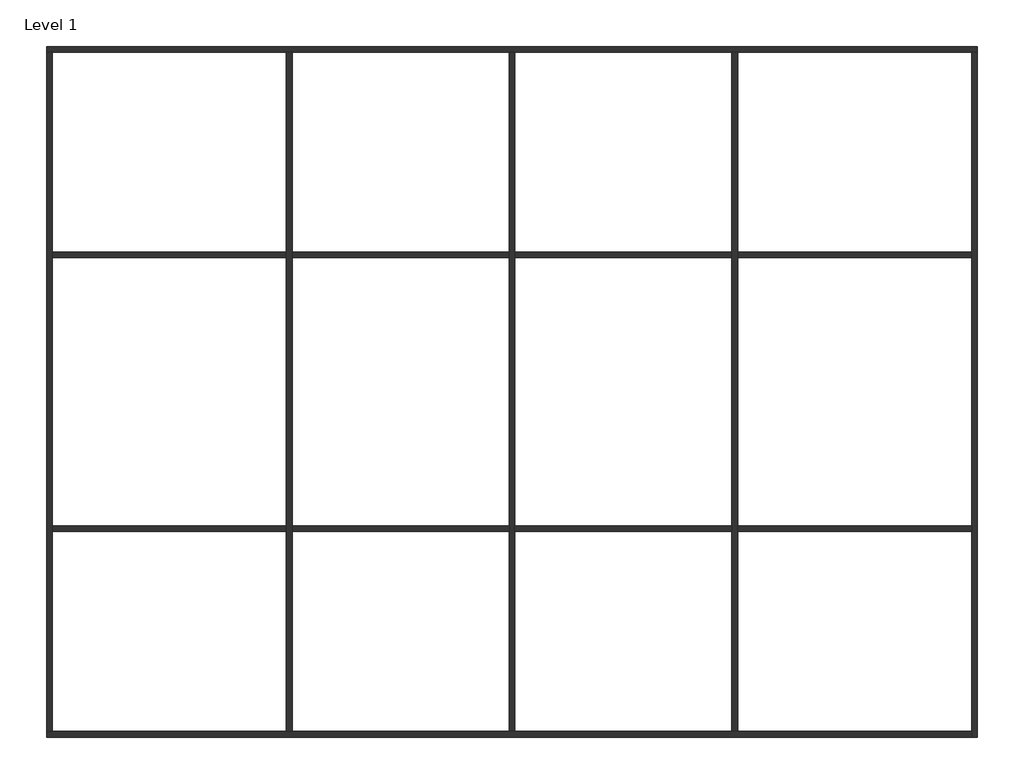
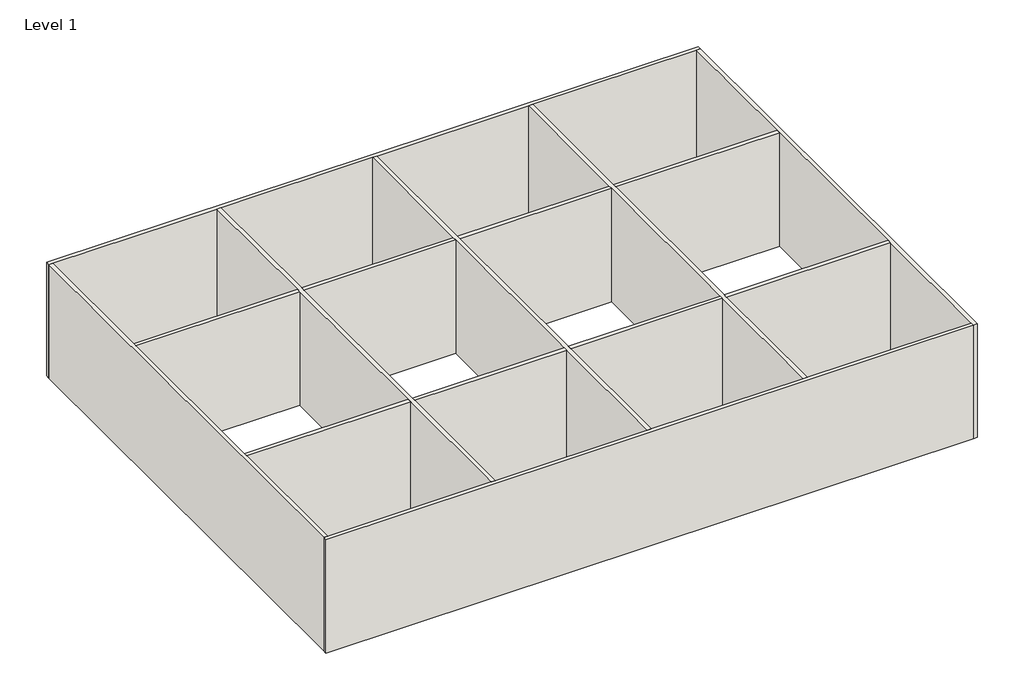
# One storey: 9 walls.
"""IFC4 building model written with IfcOpenShell, lengths in millimetres."""

from ifc_helpers import new_model, si_unit, origin, origin_with_axes, place, context, project, spatial, polyline, outline, extrude, faceted_brep, element, save

model = new_model("IFC4")

# Units and contexts
model_context = context("Model", 3, world=origin())
ifc_project = project(units=[si_unit("LENGTHUNIT", "METRE", prefix="MILLI")], contexts=[model_context])

# Site, building, storey
site = spatial("IfcSite", under=ifc_project)
building = spatial("IfcBuilding", under=site)
storey = spatial("IfcBuildingStorey", under=building, Name="Level 1", Elevation=0.0)

# Walls
placement = place(None, origin())
element("IfcWall", 1, ObjectType="Generic - 8\"", at=placement, inside=storey, context=model_context, shape_type="Brep", body=[
    faceted_brep([(-13820.2516288, 7825.672494, 0.0), (-13617.0516288, 7825.672494, 0.0), (-5285.8516288, 7825.672494, 0.0), (-5082.6516288, 7825.672494, 0.0), (2638.9483712, 7825.672494, 0.0), (2842.1483712, 7825.672494, 0.0), (10563.7483712, 7825.672494, 0.0), (10766.9483712, 7825.672494, 0.0), (19098.1483712, 7825.672494, 0.0), (19301.3483712, 7825.672494, 0.0), (19301.3483712, 7825.672494, 6096.0), (19098.1483712, 7825.672494, 6096.0), (10766.9483712, 7825.672494, 6096.0), (10563.7483712, 7825.672494, 6096.0), (2842.1483712, 7825.672494, 6096.0), (2638.9483712, 7825.672494, 6096.0), (-5082.6516288, 7825.672494, 6096.0), (-5285.8516288, 7825.672494, 6096.0), (-13617.0516288, 7825.672494, 6096.0), (-13820.2516288, 7825.672494, 6096.0), (-13820.2516288, 8028.872494, 0.0), (-13820.2516288, 8028.872494, 6096.0), (19301.3483712, 8028.872494, 6096.0), (19301.3483712, 8028.872494, 0.0)], [[[0, 1, 2, 3, 4, 5, 6, 7, 8, 9, 10, 11, 12, 13, 14, 15, 16, 17, 18, 19]], [[20, 21, 22, 23]], [[9, 8, 7, 6, 5, 4, 3, 2, 1, 0, 20, 23]], [[19, 18, 17, 16, 15, 14, 13, 12, 11, 10, 22, 21]], [[10, 9, 23, 22]], [[0, 19, 21, 20]]]),
])
element("IfcWall", 2, ObjectType="Generic - 8\"", at=placement, inside=storey, context=model_context, shape_type="Brep", body=[
    faceted_brep([(19098.1483712, 7825.672494, 0.0), (19098.1483712, 713.672494, 0.0), (19098.1483712, 510.472494, 0.0), (19098.1483712, -9039.927506, 0.0), (19098.1483712, -9243.127506, 0.0), (19098.1483712, -16355.127506, 0.0), (19098.1483712, -16558.327506, 0.0), (19098.1483712, -16558.327506, 6096.0), (19098.1483712, -16355.127506, 6096.0), (19098.1483712, -9243.127506, 6096.0), (19098.1483712, -9039.927506, 6096.0), (19098.1483712, 510.472494, 6096.0), (19098.1483712, 713.672494, 6096.0), (19098.1483712, 7825.672494, 6096.0), (19301.3483712, 7825.672494, 0.0), (19301.3483712, 7825.672494, 6096.0), (19301.3483712, -16558.327506, 6096.0), (19301.3483712, -16558.327506, 0.0)], [[[0, 1, 2, 3, 4, 5, 6, 7, 8, 9, 10, 11, 12, 13]], [[14, 15, 16, 17]], [[6, 5, 4, 3, 2, 1, 0, 14, 17]], [[13, 12, 11, 10, 9, 8, 7, 16, 15]], [[0, 13, 15, 14]], [[7, 6, 17, 16]]]),
])
element("IfcWall", 3, ObjectType="Generic - 8\"", at=placement, inside=storey, context=model_context, shape_type="Brep", body=[
    faceted_brep([(19098.1483712, -16355.127506, 0.0), (10766.9483712, -16355.127506, 0.0), (10563.7483712, -16355.127506, 0.0), (2842.1483712, -16355.127506, 0.0), (2638.9483712, -16355.127506, 0.0), (-5082.6516288, -16355.127506, 0.0), (-5285.8516288, -16355.127506, 0.0), (-13617.0516288, -16355.127506, 0.0), (-13820.2516288, -16355.127506, 0.0), (-13820.2516288, -16355.127506, 6096.0), (-13617.0516288, -16355.127506, 6096.0), (-5285.8516288, -16355.127506, 6096.0), (-5082.6516288, -16355.127506, 6096.0), (2638.9483712, -16355.127506, 6096.0), (2842.1483712, -16355.127506, 6096.0), (10563.7483712, -16355.127506, 6096.0), (10766.9483712, -16355.127506, 6096.0), (19098.1483712, -16355.127506, 6096.0), (19098.1483712, -16558.327506, 0.0), (19098.1483712, -16558.327506, 6096.0), (-13820.2516288, -16558.327506, 6096.0), (-13820.2516288, -16558.327506, 0.0)], [[[0, 1, 2, 3, 4, 5, 6, 7, 8, 9, 10, 11, 12, 13, 14, 15, 16, 17]], [[18, 19, 20, 21]], [[8, 7, 6, 5, 4, 3, 2, 1, 0, 18, 21]], [[17, 16, 15, 14, 13, 12, 11, 10, 9, 20, 19]], [[0, 17, 19, 18]], [[9, 8, 21, 20]]]),
])
element("IfcWall", 4, ObjectType="Generic - 8\"", at=placement, inside=storey, context=model_context, shape_type="Brep", body=[
    faceted_brep([(-13617.0516288, -16355.127506, 0.0), (-13617.0516288, -9243.127506, 0.0), (-13617.0516288, -9039.927506, 0.0), (-13617.0516288, 510.472494, 0.0), (-13617.0516288, 713.672494, 0.0), (-13617.0516288, 7825.672494, 0.0), (-13617.0516288, 7825.672494, 6096.0), (-13617.0516288, 713.672494, 6096.0), (-13617.0516288, 510.472494, 6096.0), (-13617.0516288, -9039.927506, 6096.0), (-13617.0516288, -9243.127506, 6096.0), (-13617.0516288, -16355.127506, 6096.0), (-13820.2516288, -16355.127506, 0.0), (-13820.2516288, -16355.127506, 6096.0), (-13820.2516288, 7825.672494, 6096.0), (-13820.2516288, 7825.672494, 0.0)], [[[0, 1, 2, 3, 4, 5, 6, 7, 8, 9, 10, 11]], [[12, 13, 14, 15]], [[5, 4, 3, 2, 1, 0, 12, 15]], [[11, 10, 9, 8, 7, 6, 14, 13]], [[6, 5, 15, 14]], [[0, 11, 13, 12]]]),
])
element("IfcWall", 5, ObjectType="Generic - 8\"", at=placement, inside=storey, context=model_context, shape_type="Brep", body=[
    faceted_brep([(-5285.8516288, 7825.672494, 0.0), (-5285.8516288, 713.672494, 0.0), (-5285.8516288, 510.472494, 0.0), (-5285.8516288, -9039.927506, 0.0), (-5285.8516288, -9243.127506, 0.0), (-5285.8516288, -16355.127506, 0.0), (-5285.8516288, -16355.127506, 6096.0), (-5285.8516288, -9243.127506, 6096.0), (-5285.8516288, -9039.927506, 6096.0), (-5285.8516288, 510.472494, 6096.0), (-5285.8516288, 713.672494, 6096.0), (-5285.8516288, 7825.672494, 6096.0), (-5082.6516288, 7825.672494, 0.0), (-5082.6516288, 7825.672494, 6096.0), (-5082.6516288, 713.672494, 6096.0), (-5082.6516288, 510.472494, 6096.0), (-5082.6516288, -9039.927506, 6096.0), (-5082.6516288, -9243.127506, 6096.0), (-5082.6516288, -16355.127506, 6096.0), (-5082.6516288, -16355.127506, 0.0), (-5082.6516288, -9243.127506, 0.0), (-5082.6516288, -9039.927506, 0.0), (-5082.6516288, 510.472494, 0.0), (-5082.6516288, 713.672494, 0.0)], [[[0, 1, 2, 3, 4, 5, 6, 7, 8, 9, 10, 11]], [[12, 13, 14, 15, 16, 17, 18, 19, 20, 21, 22, 23]], [[5, 4, 3, 2, 1, 0, 12, 23, 22, 21, 20, 19]], [[11, 10, 9, 8, 7, 6, 18, 17, 16, 15, 14, 13]], [[6, 5, 19, 18]], [[0, 11, 13, 12]]]),
])
element("IfcWall", 6, ObjectType="Generic - 8\"", at=placement, inside=storey, context=model_context, shape_type="Brep", body=[
    faceted_brep([(2638.9483712, 7825.672494, 0.0), (2638.9483712, 713.672494, 0.0), (2638.9483712, 510.472494, 0.0), (2638.9483712, -9039.927506, 0.0), (2638.9483712, -9243.127506, 0.0), (2638.9483712, -16355.127506, 0.0), (2638.9483712, -16355.127506, 6096.0), (2638.9483712, -9243.127506, 6096.0), (2638.9483712, -9039.927506, 6096.0), (2638.9483712, 510.472494, 6096.0), (2638.9483712, 713.672494, 6096.0), (2638.9483712, 7825.672494, 6096.0), (2842.1483712, 7825.672494, 0.0), (2842.1483712, 7825.672494, 6096.0), (2842.1483712, 713.672494, 6096.0), (2842.1483712, 510.472494, 6096.0), (2842.1483712, -9039.927506, 6096.0), (2842.1483712, -9243.127506, 6096.0), (2842.1483712, -16355.127506, 6096.0), (2842.1483712, -16355.127506, 0.0), (2842.1483712, -9243.127506, 0.0), (2842.1483712, -9039.927506, 0.0), (2842.1483712, 510.472494, 0.0), (2842.1483712, 713.672494, 0.0)], [[[0, 1, 2, 3, 4, 5, 6, 7, 8, 9, 10, 11]], [[12, 13, 14, 15, 16, 17, 18, 19, 20, 21, 22, 23]], [[5, 4, 3, 2, 1, 0, 12, 23, 22, 21, 20, 19]], [[11, 10, 9, 8, 7, 6, 18, 17, 16, 15, 14, 13]], [[0, 11, 13, 12]], [[6, 5, 19, 18]]]),
])
element("IfcWall", 7, ObjectType="Generic - 8\"", at=placement, inside=storey, context=model_context, shape_type="Brep", body=[
    faceted_brep([(10563.7483712, 7825.672494, 0.0), (10563.7483712, 713.672494, 0.0), (10563.7483712, 510.472494, 0.0), (10563.7483712, -9039.927506, 0.0), (10563.7483712, -9243.127506, 0.0), (10563.7483712, -16355.127506, 0.0), (10563.7483712, -16355.127506, 6096.0), (10563.7483712, -9243.127506, 6096.0), (10563.7483712, -9039.927506, 6096.0), (10563.7483712, 510.472494, 6096.0), (10563.7483712, 713.672494, 6096.0), (10563.7483712, 7825.672494, 6096.0), (10766.9483712, 7825.672494, 0.0), (10766.9483712, 7825.672494, 6096.0), (10766.9483712, 713.672494, 6096.0), (10766.9483712, 510.472494, 6096.0), (10766.9483712, -9039.927506, 6096.0), (10766.9483712, -9243.127506, 6096.0), (10766.9483712, -16355.127506, 6096.0), (10766.9483712, -16355.127506, 0.0), (10766.9483712, -9243.127506, 0.0), (10766.9483712, -9039.927506, 0.0), (10766.9483712, 510.472494, 0.0), (10766.9483712, 713.672494, 0.0)], [[[0, 1, 2, 3, 4, 5, 6, 7, 8, 9, 10, 11]], [[12, 13, 14, 15, 16, 17, 18, 19, 20, 21, 22, 23]], [[5, 4, 3, 2, 1, 0, 12, 23, 22, 21, 20, 19]], [[11, 10, 9, 8, 7, 6, 18, 17, 16, 15, 14, 13]], [[0, 11, 13, 12]], [[6, 5, 19, 18]]]),
])
element("IfcWall", 8, ObjectType="Generic - 8\"", at=placement, inside=storey, context=model_context, shape_type="SweptSolid", body=[
    extrude(outline(polyline([(19098.1483712, 713.672494), (19098.1483712, 510.472494), (10766.9483712, 510.472494), (10766.9483712, 713.672494), (19098.1483712, 713.672494)])), origin_with_axes(), (0.0, 0.0, 1.0), 6096.0),
    extrude(outline(polyline([(-13617.0516288, 510.472494), (-13617.0516288, 713.672494), (-5285.8516288, 713.672494), (-5285.8516288, 510.472494), (-13617.0516288, 510.472494)])), origin_with_axes(), (0.0, 0.0, 1.0), 6096.0),
    extrude(outline(polyline([(-5082.6516288, 510.472494), (-5082.6516288, 713.672494), (2638.9483712, 713.672494), (2638.9483712, 510.472494), (-5082.6516288, 510.472494)])), origin_with_axes(), (0.0, 0.0, 1.0), 6096.0),
    extrude(outline(polyline([(2842.1483712, 510.472494), (2842.1483712, 713.672494), (10563.7483712, 713.672494), (10563.7483712, 510.472494), (2842.1483712, 510.472494)])), origin_with_axes(), (0.0, 0.0, 1.0), 6096.0),
])
element("IfcWall", 9, ObjectType="Generic - 8\"", at=placement, inside=storey, context=model_context, shape_type="SweptSolid", body=[
    extrude(outline(polyline([(19098.1483712, -9039.927506), (19098.1483712, -9243.127506), (10766.9483712, -9243.127506), (10766.9483712, -9039.927506), (19098.1483712, -9039.927506)])), origin_with_axes(), (0.0, 0.0, 1.0), 6096.0),
    extrude(outline(polyline([(-13617.0516288, -9243.127506), (-13617.0516288, -9039.927506), (-5285.8516288, -9039.927506), (-5285.8516288, -9243.127506), (-13617.0516288, -9243.127506)])), origin_with_axes(), (0.0, 0.0, 1.0), 6096.0),
    extrude(outline(polyline([(-5082.6516288, -9243.127506), (-5082.6516288, -9039.927506), (2638.9483712, -9039.927506), (2638.9483712, -9243.127506), (-5082.6516288, -9243.127506)])), origin_with_axes(), (0.0, 0.0, 1.0), 6096.0),
    extrude(outline(polyline([(2842.1483712, -9243.127506), (2842.1483712, -9039.927506), (10563.7483712, -9039.927506), (10563.7483712, -9243.127506), (2842.1483712, -9243.127506)])), origin_with_axes(), (0.0, 0.0, 1.0), 6096.0),
])

save(model, "model.ifc")
